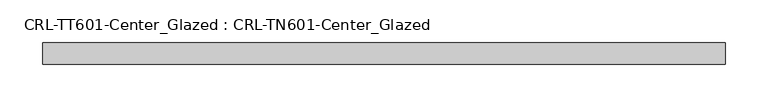
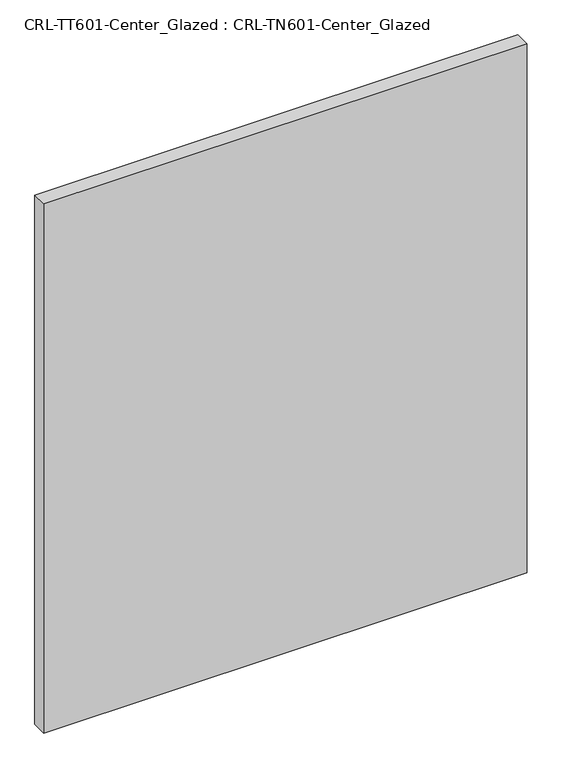
"""IFC4 building model written with IfcOpenShell, lengths in millimetres: plate geometry, CRL-TT601-Center_Glazed : CRL-TN601-Center_Glazed."""

from ifc_helpers import new_model, si_unit, origin, origin_with_axes, place, context, project, spatial, polyline, outline, extrude, source, transform, mapped, element, save


def crl_tt601_center_glazed_crl_tn601_center_glazed_0fc3d60a(model_context):
    return source(origin(), model_context, "Body", "SweptSolid", [
        extrude(outline(polyline([(-400.6938146, -12.7254), (-400.6938146, 12.6746), (400.6938146, 12.6746), (400.6938146, -12.7254), (-400.6938146, -12.7254)])), origin_with_axes(), (0.0, 0.0, 1.0), 927.244537),
    ])


if __name__ == "__main__":
    model = new_model("IFC4")
    model_context = context("Model", 3, world=origin())
    ifc_project = project(units=[si_unit("LENGTHUNIT", "METRE", prefix="MILLI")], contexts=[model_context])
    site = spatial("IfcSite", under=ifc_project)
    building = spatial("IfcBuilding", under=site)
    placement = place(None, origin())
    crl_tt601_center_glazed_crl_tn601_center_glazed_shape = crl_tt601_center_glazed_crl_tn601_center_glazed_0fc3d60a(model_context)
    element("IfcPlate", 1, ObjectType="CRL-TT601-Center_Glazed : CRL-TN601-Center_Glazed", at=placement, inside=building, context=model_context, shape_type="MappedRepresentation", body=[
        mapped(crl_tt601_center_glazed_crl_tn601_center_glazed_shape, transform((0.0, 0.0, 0.0), x_axis=(1.0, 0.0, 0.0), y_axis=(0.0, 1.0, 0.0), z_axis=(0.0, 0.0, 1.0))),
    ])
    save(model, "model.ifc")
